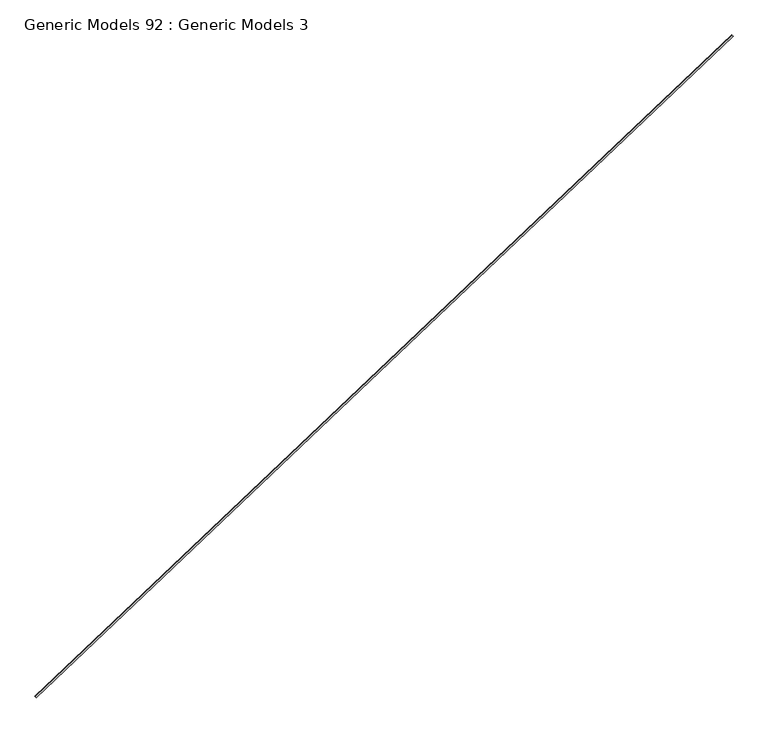
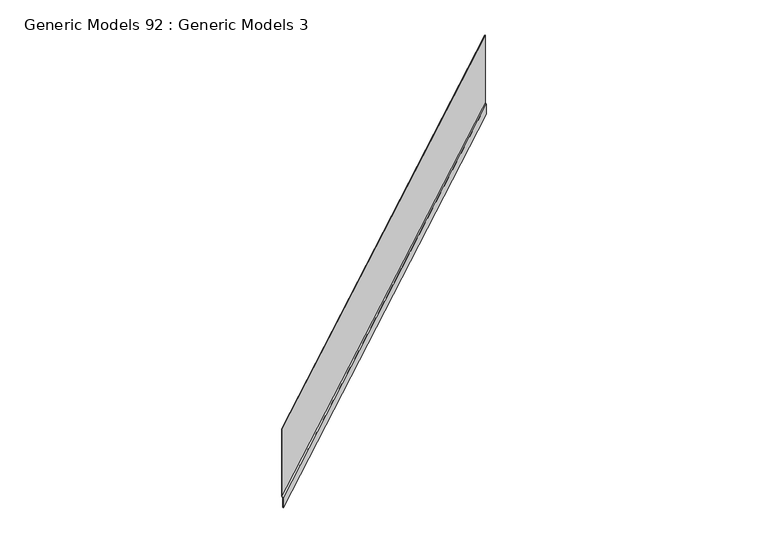
"""IFC4 building model written with IfcOpenShell, lengths in millimetres: proxy geometry, Generic Models 92 : Generic Models 3."""

from ifc_helpers import new_model, si_unit, frame, origin, place, context, project, spatial, polyline, outline, extrude, source, transform, mapped, element, save


def generic_models_92_generic_models_3_8c7de203(model_context):
    return source(origin(), model_context, "Body", "SweptSolid", [
        extrude(outline(polyline([(-206.811041, 0.0), (-206.811041, -522.800919), (-215.1747709, -531.1646489), (-215.1747709, -606.2269326), (-216.7622709, -606.2269326), (-216.7622709, -530.5070849), (-208.398541, -522.143355), (-208.398541, 0.0), (-206.811041, 0.0)])), frame((108113.3067557, 48499.8628753, 18695.2634501), z_axis=(0.7253743710122986, 0.6883545756937424, 0.0), x_axis=(-0.6883545756937424, 0.7253743710122986, 0.0)), (0.0, 0.0, 1.0), 4530.725),
    ])


if __name__ == "__main__":
    model = new_model("IFC4")
    model_context = context("Model", 3, world=origin())
    ifc_project = project(units=[si_unit("LENGTHUNIT", "METRE", prefix="MILLI")], contexts=[model_context])
    site = spatial("IfcSite", under=ifc_project)
    building = spatial("IfcBuilding", under=site)
    placement = place(None, origin())
    generic_models_92_generic_models_3_shape = generic_models_92_generic_models_3_8c7de203(model_context)
    element("IfcBuildingElementProxy", 1, Name="Generic Models 92 : Generic Models 3", ObjectType="Generic Models 92 : Generic Models 3", at=placement, inside=building, context=model_context, shape_type="MappedRepresentation", body=[
        mapped(generic_models_92_generic_models_3_shape, transform((0.0, 0.0, 0.0), x_axis=(1.0, 0.0, 0.0), y_axis=(0.0, 1.0, 0.0), z_axis=(0.0, 0.0, 1.0))),
    ])
    save(model, "model.ifc")
